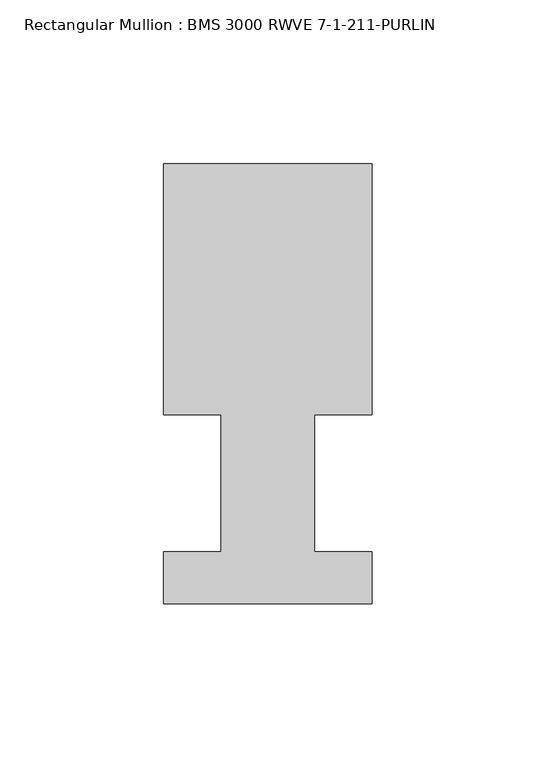
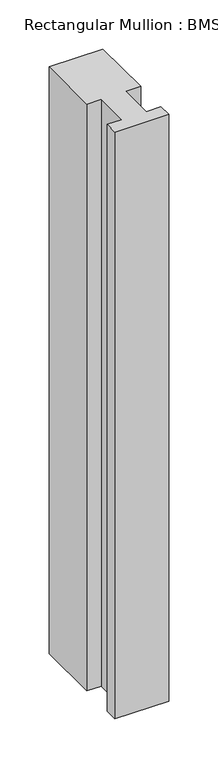
"""IFC4 building model written with IfcOpenShell, lengths in millimetres: member geometry, Rectangular Mullion : BMS 3000 RWVE 7-1-211-PURLIN."""

from ifc_helpers import new_model, si_unit, frame, origin, place, context, project, spatial, polyline, outline, extrude, source, transform, mapped, element, save


def rectangular_mullion_bms_3000_rwve_7_1_211_purlin_ccb2f512(model_context):
    return source(origin(), model_context, "Body", "SweptSolid", [
        extrude(outline(polyline([(-31.75, 76.6294188), (31.75, 76.6294188), (31.75, 0.0992187), (14.2748, 0.0992187), (14.2748, -41.5313812), (31.75, -41.5313812), (31.75, -57.4063812), (-31.75, -57.4063812), (-31.75, -41.5313812), (-14.2748, -41.5313812), (-14.2748, 0.0992188), (-31.75, 0.0992188), (-31.75, 76.6294188)])), frame((0.0, 0.0, -730.1927963), z_axis=(0.0, 0.0, 1.0), x_axis=(1.0, 0.0, 0.0)), (0.0, 0.0, 1.0), 730.1927963),
    ])


if __name__ == "__main__":
    model = new_model("IFC4")
    model_context = context("Model", 3, world=origin())
    ifc_project = project(units=[si_unit("LENGTHUNIT", "METRE", prefix="MILLI")], contexts=[model_context])
    site = spatial("IfcSite", under=ifc_project)
    building = spatial("IfcBuilding", under=site)
    placement = place(None, origin())
    rectangular_mullion_bms_3000_rwve_7_1_211_purlin_shape = rectangular_mullion_bms_3000_rwve_7_1_211_purlin_ccb2f512(model_context)
    element("IfcMember", 1, ObjectType="Rectangular Mullion : BMS 3000 RWVE 7-1-211-PURLIN", at=placement, inside=building, context=model_context, shape_type="MappedRepresentation", body=[
        mapped(rectangular_mullion_bms_3000_rwve_7_1_211_purlin_shape, transform((0.0, 0.0, 0.0), x_axis=(1.0, 0.0, 0.0), y_axis=(0.0, 1.0, 0.0), z_axis=(0.0, 0.0, 1.0))),
    ])
    save(model, "model.ifc")
